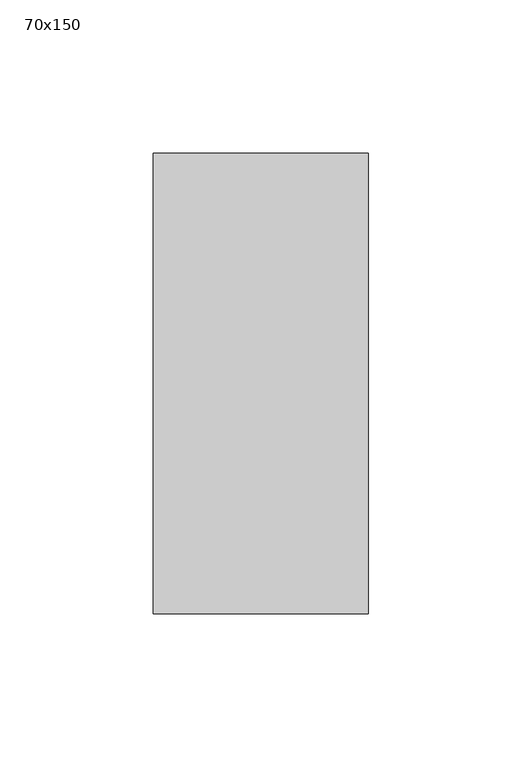
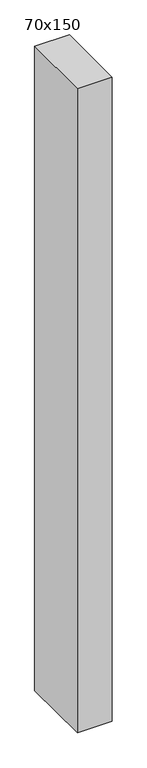
"""IFC4 building model written with IfcOpenShell, lengths in millimetres: member geometry, 70x150."""

import ifcopenshell
import ifcopenshell.guid

model = None  # the IFC model being written
_history = None  # IfcOwnerHistory: only IFC2X3 demands one
_inside = {}  # id of a spatial element -> (the spatial element, [elements in it])
_under = {}  # id of a project, library or spatial element -> (it, [spatial elements below it])
_declared = {}  # id of a project -> (the project, [libraries it declares])
_typed = {}  # id of a type object -> (the type object, [elements of that type])
_made_of = {}  # id of a material, layer set ... -> (it, [elements and type objects made of it])


def new_model(schema):
    """Start an empty IFC model of exactly this schema.

    Asked for "IFC4X3", IfcOpenShell would pick the latest addendum, in which some entities
    have other attributes; the version numbers below select the first issue.
    IFC2X3 requires an IfcOwnerHistory on every rooted entity: one is made here for all.
    """
    global model, _history
    if schema == "IFC4X3":
        model = ifcopenshell.file(schema_version=(4, 3, 0, 0))
    else:
        model = ifcopenshell.file(schema=schema)
    _inside.clear()
    _under.clear()
    _declared.clear()
    _typed.clear()
    _made_of.clear()
    _history = None
    if model.schema == "IFC2X3":
        org = make("IfcOrganization", Name="unknown")
        user = make(
            "IfcPersonAndOrganization",
            ThePerson=make("IfcPerson", FamilyName="unknown"),
            TheOrganization=org,
        )
        app = make(
            "IfcApplication",
            ApplicationDeveloper=org,
            Version="unknown",
            ApplicationFullName="unknown",
            ApplicationIdentifier="unknown",
        )
        _history = make(
            "IfcOwnerHistory",
            OwningUser=user,
            OwningApplication=app,
            ChangeAction="ADDED",
            CreationDate=0,
        )
    return model


def make(cls, **values):
    """One entity of the class cls with the attributes given. An attribute that is None is left unset."""
    return model.create_entity(
        cls, **{name: value for name, value in values.items() if value is not None}
    )


def rooted(cls, **values):
    """An entity with a GlobalId (a new one), such as an element, a storey or a relation."""
    return make(cls, GlobalId=ifcopenshell.guid.new(), OwnerHistory=_history, **values)


def si_unit(unit_type, name, prefix=None):
    """IfcSIUnit, for example si_unit("LENGTHUNIT", "METRE", prefix="MILLI")."""
    return make("IfcSIUnit", UnitType=unit_type, Prefix=prefix, Name=name)


def assignment(units):
    """IfcUnitAssignment: the units of a project."""
    return None if units is None else make("IfcUnitAssignment", Units=units)


def point(xyz):
    """IfcCartesianPoint."""
    return None if xyz is None else make("IfcCartesianPoint", Coordinates=xyz)


def direction(xyz):
    """IfcDirection."""
    return None if xyz is None else make("IfcDirection", DirectionRatios=xyz)


def frame(location, z_axis=None, x_axis=None):
    """IfcAxis2Placement3D, a coordinate frame: its origin and axes. An axis left out is left unset."""
    return make(
        "IfcAxis2Placement3D",
        Location=point(location),
        Axis=direction(z_axis),
        RefDirection=direction(x_axis),
    )


def origin():
    """The frame at (0, 0, 0) with its axes left unset."""
    return frame((0.0, 0.0, 0.0))


def place(relative_to, where):
    """IfcLocalPlacement: puts the frame where relative to a parent placement (None: the world)."""
    return make(
        "IfcLocalPlacement", PlacementRelTo=relative_to, RelativePlacement=where
    )


def context(
    kind, dimensions, precision=None, world=None, true_north=None, identifier=None
):
    """IfcGeometricRepresentationContext, for example the 3D "Model" context."""
    return make(
        "IfcGeometricRepresentationContext",
        ContextIdentifier=identifier,
        ContextType=kind,
        CoordinateSpaceDimension=dimensions,
        Precision=precision,
        WorldCoordinateSystem=world,
        TrueNorth=true_north,
    )


def project(units=None, contexts=None):
    """IfcProject with its units and contexts."""
    return rooted(
        "IfcProject",
        Name="project",
        RepresentationContexts=contexts,
        UnitsInContext=assignment(units),
    )


def spatial(cls, under=None, at=None, **own):
    """A site, building, storey or space (cls), placed at a placement, below another one or the project."""
    s = rooted(cls, ObjectPlacement=at, **own)
    if under is not None:
        _under.setdefault(under.id(), (under, []))[1].append(s)
    return s


def polyline(points):
    """IfcPolyline through the points."""
    return make("IfcPolyline", Points=[point(p) for p in points])


def outline(outer, holes=None, kind="AREA"):
    """IfcArbitraryClosedProfileDef: a profile drawn as a closed curve; with holes, ...WithVoids."""
    if holes is None:
        return make("IfcArbitraryClosedProfileDef", ProfileType=kind, OuterCurve=outer)
    return make(
        "IfcArbitraryProfileDefWithVoids",
        ProfileType=kind,
        OuterCurve=outer,
        InnerCurves=holes,
    )


def extrude(swept, where, along, depth):
    """IfcExtrudedAreaSolid: the profile swept, set in the frame where, extruded along a direction by depth."""
    return make(
        "IfcExtrudedAreaSolid",
        SweptArea=swept,
        Position=where,
        ExtrudedDirection=direction(along),
        Depth=depth,
    )


def shape(context_of_items, identifier, shape_type, items):
    """IfcShapeRepresentation: the items that make up one representation, for example the "Body"."""
    return make(
        "IfcShapeRepresentation",
        ContextOfItems=context_of_items,
        RepresentationIdentifier=identifier,
        RepresentationType=shape_type,
        Items=items,
    )


def source(mapping_origin, context_of_items, identifier, shape_type, items):
    """IfcRepresentationMap: a shape defined once, which mapped items show again and again."""
    return make(
        "IfcRepresentationMap",
        MappingOrigin=mapping_origin,
        MappedRepresentation=shape(context_of_items, identifier, shape_type, items),
    )


def transform(
    local_origin,
    x_axis=None,
    y_axis=None,
    z_axis=None,
    scale=None,
    scale2=None,
    scale3=None,
    uniform=True,
):
    """IfcCartesianTransformationOperator3D, or its non-uniform kind. x_axis, y_axis, z_axis: its Axis1, 2, 3."""
    if uniform:
        return make(
            "IfcCartesianTransformationOperator3D",
            Axis1=direction(x_axis),
            Axis2=direction(y_axis),
            LocalOrigin=point(local_origin),
            Scale=scale,
            Axis3=direction(z_axis),
        )
    return make(
        "IfcCartesianTransformationOperator3DnonUniform",
        Axis1=direction(x_axis),
        Axis2=direction(y_axis),
        LocalOrigin=point(local_origin),
        Scale=scale,
        Axis3=direction(z_axis),
        Scale2=scale2,
        Scale3=scale3,
    )


def mapped(mapping_source, mapping_target):
    """IfcMappedItem: shows the shape of a source again, moved by a transform."""
    return make(
        "IfcMappedItem", MappingSource=mapping_source, MappingTarget=mapping_target
    )


def made_of(thing, what):
    """Note that an element or type object is made of a material, layer set ...; save() writes the relation."""
    if what is not None:
        _made_of.setdefault(what.id(), (what, []))[1].append(thing)
    return thing


def element(
    cls,
    number,
    at=None,
    inside=None,
    cuts=None,
    type_object=None,
    material=None,
    context=None,
    identifier="Body",
    shape_type=None,
    held_by="IfcProductDefinitionShape",
    body=None,
    shapes=None,
    **own,
):
    """One element of the class cls, such as IfcWall. Its Tag is "e" and its number.

    at: its placement. inside: the storey or other place that contains it. cuts: it is an
    opening in that element (IfcRelVoidsElement). A single representation is given by context,
    identifier, shape_type and body (its items); several are given by shapes. held_by: the class
    of the entity that holds the representations. save() writes the other relations.
    """
    e = rooted(cls, Tag="e%d" % number, ObjectPlacement=at, **own)
    if body is not None:
        shapes = [shape(context, identifier, shape_type, body)]
    if shapes is not None:
        e.Representation = make(held_by, Representations=shapes)
    if inside is not None:
        _inside.setdefault(inside.id(), (inside, []))[1].append(e)
    if cuts is not None:
        rooted(
            "IfcRelVoidsElement", RelatingBuildingElement=cuts, RelatedOpeningElement=e
        )
    if type_object is not None:
        _typed.setdefault(type_object.id(), (type_object, []))[1].append(e)
    return made_of(e, material)


def aggregate(whole, parts):
    """IfcRelAggregates: a whole, such as a stair, and the parts it consists of."""
    return rooted("IfcRelAggregates", RelatingObject=whole, RelatedObjects=parts)


def save(model, path):
    """Write the relations noted so far, then the file.

    IfcRelAggregates (storeys below a building ...), IfcRelContainedInSpatialStructure (elements
    in a storey), IfcRelDefinesByType, IfcRelAssociatesMaterial and IfcRelDeclares: one each for
    every whole, place, type object, material and project.
    """
    for whole, parts in _under.values():
        aggregate(whole, parts)
    for where, things in _inside.values():
        rooted(
            "IfcRelContainedInSpatialStructure",
            RelatedElements=things,
            RelatingStructure=where,
        )
    for kind, things in _typed.values():
        rooted("IfcRelDefinesByType", RelatedObjects=things, RelatingType=kind)
    for what, things in _made_of.values():
        rooted("IfcRelAssociatesMaterial", RelatedObjects=things, RelatingMaterial=what)
    for by, libraries in _declared.values():
        rooted("IfcRelDeclares", RelatingContext=by, RelatedDefinitions=libraries)
    model.write(path)


def member_70x150_7820ca82(model_context):
    return source(origin(), model_context, "Body", "SweptSolid", [
        extrude(outline(polyline([(-75.0, 0.0), (75.0, 0.0), (75.0, -1376.8931893), (-75.0, -1375.7788779), (-75.0, 0.0)])), frame((-70.0, 0.0, 0.0), z_axis=(1.0, 0.0, 0.0), x_axis=(0.0, 1.0, 0.0)), (0.0, 0.0, 1.0), 70.0),
    ])


if __name__ == "__main__":
    model = new_model("IFC4")
    model_context = context("Model", 3, world=origin())
    ifc_project = project(units=[si_unit("LENGTHUNIT", "METRE", prefix="MILLI")], contexts=[model_context])
    site = spatial("IfcSite", under=ifc_project)
    building = spatial("IfcBuilding", under=site)
    placement = place(None, origin())
    member_70x150_shape = member_70x150_7820ca82(model_context)
    element("IfcMember", 1, ObjectType="70x150", at=placement, inside=building, context=model_context, shape_type="MappedRepresentation", body=[
        mapped(member_70x150_shape, transform((0.0, 0.0, 0.0), x_axis=(1.0, 0.0, 0.0), y_axis=(0.0, 1.0, 0.0), z_axis=(0.0, 0.0, 1.0))),
    ])
    save(model, "model.ifc")
